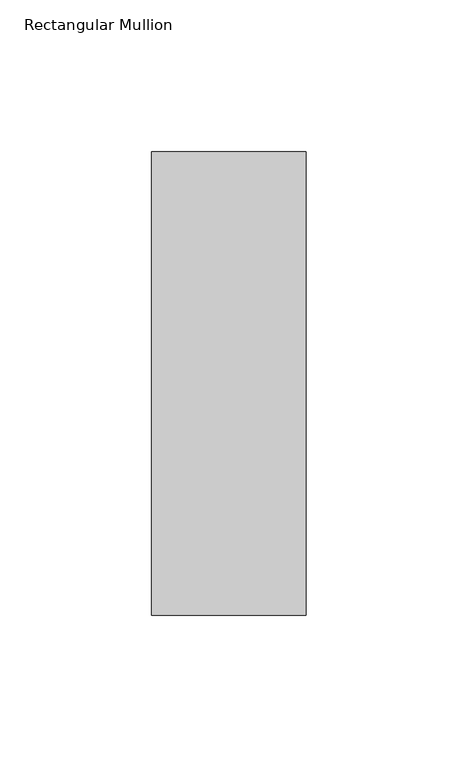
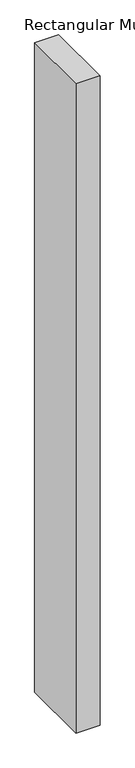
"""IFC4 building model written with IfcOpenShell, lengths in millimetres: member geometry, Rectangular Mullion."""

import ifcopenshell
import ifcopenshell.guid

model = None  # the IFC model being written
_history = None  # IfcOwnerHistory: only IFC2X3 demands one
_inside = {}  # id of a spatial element -> (the spatial element, [elements in it])
_under = {}  # id of a project, library or spatial element -> (it, [spatial elements below it])
_declared = {}  # id of a project -> (the project, [libraries it declares])
_typed = {}  # id of a type object -> (the type object, [elements of that type])
_made_of = {}  # id of a material, layer set ... -> (it, [elements and type objects made of it])


def new_model(schema):
    """Start an empty IFC model of exactly this schema.

    Asked for "IFC4X3", IfcOpenShell would pick the latest addendum, in which some entities
    have other attributes; the version numbers below select the first issue.
    IFC2X3 requires an IfcOwnerHistory on every rooted entity: one is made here for all.
    """
    global model, _history
    if schema == "IFC4X3":
        model = ifcopenshell.file(schema_version=(4, 3, 0, 0))
    else:
        model = ifcopenshell.file(schema=schema)
    _inside.clear()
    _under.clear()
    _declared.clear()
    _typed.clear()
    _made_of.clear()
    _history = None
    if model.schema == "IFC2X3":
        org = make("IfcOrganization", Name="unknown")
        user = make(
            "IfcPersonAndOrganization",
            ThePerson=make("IfcPerson", FamilyName="unknown"),
            TheOrganization=org,
        )
        app = make(
            "IfcApplication",
            ApplicationDeveloper=org,
            Version="unknown",
            ApplicationFullName="unknown",
            ApplicationIdentifier="unknown",
        )
        _history = make(
            "IfcOwnerHistory",
            OwningUser=user,
            OwningApplication=app,
            ChangeAction="ADDED",
            CreationDate=0,
        )
    return model


def make(cls, **values):
    """One entity of the class cls with the attributes given. An attribute that is None is left unset."""
    return model.create_entity(
        cls, **{name: value for name, value in values.items() if value is not None}
    )


def rooted(cls, **values):
    """An entity with a GlobalId (a new one), such as an element, a storey or a relation."""
    return make(cls, GlobalId=ifcopenshell.guid.new(), OwnerHistory=_history, **values)


def si_unit(unit_type, name, prefix=None):
    """IfcSIUnit, for example si_unit("LENGTHUNIT", "METRE", prefix="MILLI")."""
    return make("IfcSIUnit", UnitType=unit_type, Prefix=prefix, Name=name)


def assignment(units):
    """IfcUnitAssignment: the units of a project."""
    return None if units is None else make("IfcUnitAssignment", Units=units)


def point(xyz):
    """IfcCartesianPoint."""
    return None if xyz is None else make("IfcCartesianPoint", Coordinates=xyz)


def direction(xyz):
    """IfcDirection."""
    return None if xyz is None else make("IfcDirection", DirectionRatios=xyz)


def frame(location, z_axis=None, x_axis=None):
    """IfcAxis2Placement3D, a coordinate frame: its origin and axes. An axis left out is left unset."""
    return make(
        "IfcAxis2Placement3D",
        Location=point(location),
        Axis=direction(z_axis),
        RefDirection=direction(x_axis),
    )


def origin():
    """The frame at (0, 0, 0) with its axes left unset."""
    return frame((0.0, 0.0, 0.0))


def place(relative_to, where):
    """IfcLocalPlacement: puts the frame where relative to a parent placement (None: the world)."""
    return make(
        "IfcLocalPlacement", PlacementRelTo=relative_to, RelativePlacement=where
    )


def context(
    kind, dimensions, precision=None, world=None, true_north=None, identifier=None
):
    """IfcGeometricRepresentationContext, for example the 3D "Model" context."""
    return make(
        "IfcGeometricRepresentationContext",
        ContextIdentifier=identifier,
        ContextType=kind,
        CoordinateSpaceDimension=dimensions,
        Precision=precision,
        WorldCoordinateSystem=world,
        TrueNorth=true_north,
    )


def project(units=None, contexts=None):
    """IfcProject with its units and contexts."""
    return rooted(
        "IfcProject",
        Name="project",
        RepresentationContexts=contexts,
        UnitsInContext=assignment(units),
    )


def spatial(cls, under=None, at=None, **own):
    """A site, building, storey or space (cls), placed at a placement, below another one or the project."""
    s = rooted(cls, ObjectPlacement=at, **own)
    if under is not None:
        _under.setdefault(under.id(), (under, []))[1].append(s)
    return s


def polyline(points):
    """IfcPolyline through the points."""
    return make("IfcPolyline", Points=[point(p) for p in points])


def outline(outer, holes=None, kind="AREA"):
    """IfcArbitraryClosedProfileDef: a profile drawn as a closed curve; with holes, ...WithVoids."""
    if holes is None:
        return make("IfcArbitraryClosedProfileDef", ProfileType=kind, OuterCurve=outer)
    return make(
        "IfcArbitraryProfileDefWithVoids",
        ProfileType=kind,
        OuterCurve=outer,
        InnerCurves=holes,
    )


def extrude(swept, where, along, depth):
    """IfcExtrudedAreaSolid: the profile swept, set in the frame where, extruded along a direction by depth."""
    return make(
        "IfcExtrudedAreaSolid",
        SweptArea=swept,
        Position=where,
        ExtrudedDirection=direction(along),
        Depth=depth,
    )


def shape(context_of_items, identifier, shape_type, items):
    """IfcShapeRepresentation: the items that make up one representation, for example the "Body"."""
    return make(
        "IfcShapeRepresentation",
        ContextOfItems=context_of_items,
        RepresentationIdentifier=identifier,
        RepresentationType=shape_type,
        Items=items,
    )


def source(mapping_origin, context_of_items, identifier, shape_type, items):
    """IfcRepresentationMap: a shape defined once, which mapped items show again and again."""
    return make(
        "IfcRepresentationMap",
        MappingOrigin=mapping_origin,
        MappedRepresentation=shape(context_of_items, identifier, shape_type, items),
    )


def transform(
    local_origin,
    x_axis=None,
    y_axis=None,
    z_axis=None,
    scale=None,
    scale2=None,
    scale3=None,
    uniform=True,
):
    """IfcCartesianTransformationOperator3D, or its non-uniform kind. x_axis, y_axis, z_axis: its Axis1, 2, 3."""
    if uniform:
        return make(
            "IfcCartesianTransformationOperator3D",
            Axis1=direction(x_axis),
            Axis2=direction(y_axis),
            LocalOrigin=point(local_origin),
            Scale=scale,
            Axis3=direction(z_axis),
        )
    return make(
        "IfcCartesianTransformationOperator3DnonUniform",
        Axis1=direction(x_axis),
        Axis2=direction(y_axis),
        LocalOrigin=point(local_origin),
        Scale=scale,
        Axis3=direction(z_axis),
        Scale2=scale2,
        Scale3=scale3,
    )


def mapped(mapping_source, mapping_target):
    """IfcMappedItem: shows the shape of a source again, moved by a transform."""
    return make(
        "IfcMappedItem", MappingSource=mapping_source, MappingTarget=mapping_target
    )


def made_of(thing, what):
    """Note that an element or type object is made of a material, layer set ...; save() writes the relation."""
    if what is not None:
        _made_of.setdefault(what.id(), (what, []))[1].append(thing)
    return thing


def element(
    cls,
    number,
    at=None,
    inside=None,
    cuts=None,
    type_object=None,
    material=None,
    context=None,
    identifier="Body",
    shape_type=None,
    held_by="IfcProductDefinitionShape",
    body=None,
    shapes=None,
    **own,
):
    """One element of the class cls, such as IfcWall. Its Tag is "e" and its number.

    at: its placement. inside: the storey or other place that contains it. cuts: it is an
    opening in that element (IfcRelVoidsElement). A single representation is given by context,
    identifier, shape_type and body (its items); several are given by shapes. held_by: the class
    of the entity that holds the representations. save() writes the other relations.
    """
    e = rooted(cls, Tag="e%d" % number, ObjectPlacement=at, **own)
    if body is not None:
        shapes = [shape(context, identifier, shape_type, body)]
    if shapes is not None:
        e.Representation = make(held_by, Representations=shapes)
    if inside is not None:
        _inside.setdefault(inside.id(), (inside, []))[1].append(e)
    if cuts is not None:
        rooted(
            "IfcRelVoidsElement", RelatingBuildingElement=cuts, RelatedOpeningElement=e
        )
    if type_object is not None:
        _typed.setdefault(type_object.id(), (type_object, []))[1].append(e)
    return made_of(e, material)


def aggregate(whole, parts):
    """IfcRelAggregates: a whole, such as a stair, and the parts it consists of."""
    return rooted("IfcRelAggregates", RelatingObject=whole, RelatedObjects=parts)


def save(model, path):
    """Write the relations noted so far, then the file.

    IfcRelAggregates (storeys below a building ...), IfcRelContainedInSpatialStructure (elements
    in a storey), IfcRelDefinesByType, IfcRelAssociatesMaterial and IfcRelDeclares: one each for
    every whole, place, type object, material and project.
    """
    for whole, parts in _under.values():
        aggregate(whole, parts)
    for where, things in _inside.values():
        rooted(
            "IfcRelContainedInSpatialStructure",
            RelatedElements=things,
            RelatingStructure=where,
        )
    for kind, things in _typed.values():
        rooted("IfcRelDefinesByType", RelatedObjects=things, RelatingType=kind)
    for what, things in _made_of.values():
        rooted("IfcRelAssociatesMaterial", RelatedObjects=things, RelatingMaterial=what)
    for by, libraries in _declared.values():
        rooted("IfcRelDeclares", RelatingContext=by, RelatedDefinitions=libraries)
    model.write(path)


def rectangular_mullion_83458571(model_context):
    return source(origin(), model_context, "Body", "SweptSolid", [
        extrude(outline(polyline([(-25.4, 26.19375), (25.4, 26.19375), (25.4, -126.20625), (-25.4, -126.20625), (-25.4, 26.19375)])), frame((0.0, 0.0, -1460.5), z_axis=(0.0, 0.0, 1.0), x_axis=(1.0, 0.0, 0.0)), (0.0, 0.0, 1.0), 1460.5),
    ])


if __name__ == "__main__":
    model = new_model("IFC4")
    model_context = context("Model", 3, world=origin())
    ifc_project = project(units=[si_unit("LENGTHUNIT", "METRE", prefix="MILLI")], contexts=[model_context])
    site = spatial("IfcSite", under=ifc_project)
    building = spatial("IfcBuilding", under=site)
    placement = place(None, origin())
    rectangular_mullion_shape = rectangular_mullion_83458571(model_context)
    element("IfcMember", 1, ObjectType="Rectangular Mullion", at=placement, inside=building, context=model_context, shape_type="MappedRepresentation", body=[
        mapped(rectangular_mullion_shape, transform((0.0, 0.0, 0.0), x_axis=(1.0, 0.0, 0.0), y_axis=(0.0, 1.0, 0.0), z_axis=(0.0, 0.0, 1.0))),
    ])
    save(model, "model.ifc")
